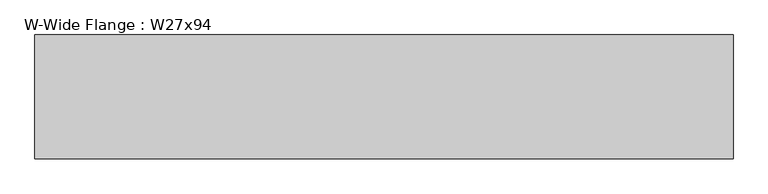
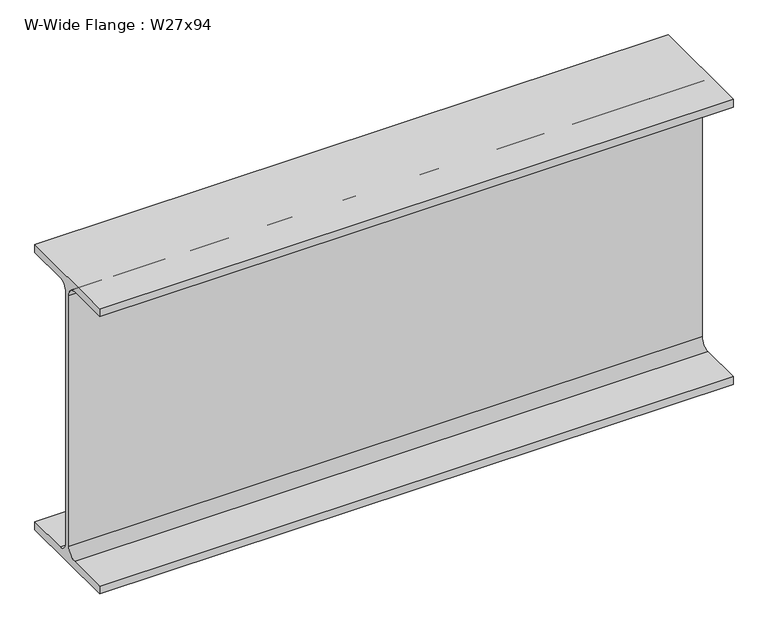
"""IFC4 building model written with IfcOpenShell, lengths in millimetres: beam geometry, W-Wide Flange : W27x94."""

from ifc_helpers import new_model, si_unit, point, frame, frame_2d, origin, place, context, project, spatial, polyline, circle_curve, trimmed, segment, composite_curve, outline, extrude, source, transform, mapped, element, save


def w_wide_flange_w27x94_648c34ba(model_context):
    return source(origin(), model_context, "Body", "SweptSolid", [
        extrude(outline(composite_curve([segment(polyline([(127.0, -322.707), (127.0, -341.63), (-127.0, -341.63), (-127.0, -322.707), (-28.575, -322.707)]), True, "CONTINUOUS"), segment(trimmed(circle_curve(frame_2d((-28.575, -300.355)), 22.352), [point((-28.575, -322.707))], [point((-6.223, -300.355))], True, "CARTESIAN"), True, "CONTINUOUS"), segment(polyline([(-6.223, -300.355), (-6.223, 300.355)]), True, "CONTINUOUS"), segment(trimmed(circle_curve(frame_2d((-28.575, 300.355)), 22.352), [point((-6.223, 300.355))], [point((-28.575, 322.707))], True, "CARTESIAN"), True, "CONTINUOUS"), segment(polyline([(-28.575, 322.707), (-127.0, 322.707), (-127.0, 341.63), (127.0, 341.63), (127.0, 322.707), (28.575, 322.707)]), True, "CONTINUOUS"), segment(trimmed(circle_curve(frame_2d((28.575, 300.355)), 22.352), [point((28.575, 322.707))], [point((6.223, 300.355))], True, "CARTESIAN"), True, "CONTINUOUS"), segment(polyline([(6.223, 300.355), (6.223, -300.355)]), True, "CONTINUOUS"), segment(trimmed(circle_curve(frame_2d((28.575, -300.355)), 22.352), [point((6.223, -300.355))], [point((28.575, -322.707))], True, "CARTESIAN"), True, "CONTINUOUS"), segment(polyline([(28.575, -322.707), (127.0, -322.707)]), True, "CONTINUOUS")], self_intersect=False)), frame((-580.39, 0.0, 0.0), z_axis=(1.0, 0.0, 0.0), x_axis=(0.0, 1.0, 0.0)), (0.0, 0.0, 1.0), 1434.0976003),
    ])


if __name__ == "__main__":
    model = new_model("IFC4")
    model_context = context("Model", 3, world=origin())
    ifc_project = project(units=[si_unit("LENGTHUNIT", "METRE", prefix="MILLI")], contexts=[model_context])
    site = spatial("IfcSite", under=ifc_project)
    building = spatial("IfcBuilding", under=site)
    placement = place(None, origin())
    w_wide_flange_w27x94_shape = w_wide_flange_w27x94_648c34ba(model_context)
    element("IfcBeam", 1, ObjectType="W-Wide Flange : W27x94", at=placement, inside=building, context=model_context, shape_type="MappedRepresentation", body=[
        mapped(w_wide_flange_w27x94_shape, transform((0.0, 0.0, 0.0), x_axis=(1.0, 0.0, 0.0), y_axis=(0.0, 1.0, 0.0), z_axis=(0.0, 0.0, 1.0))),
    ])
    save(model, "model.ifc")
